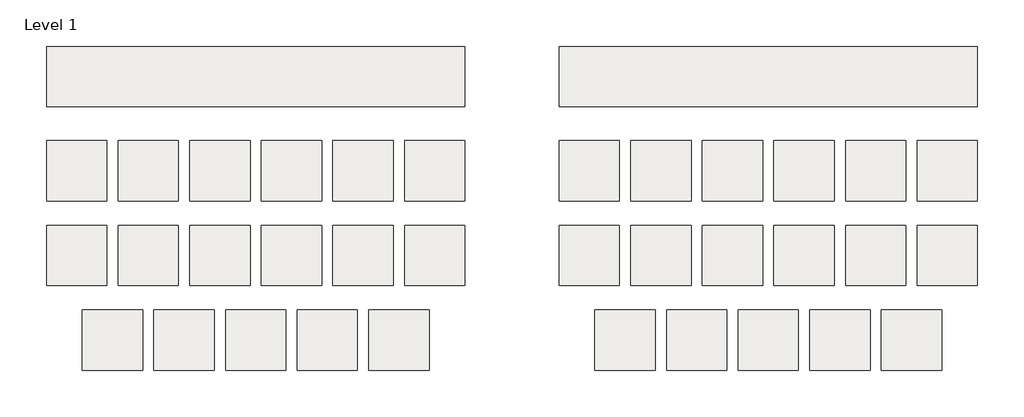
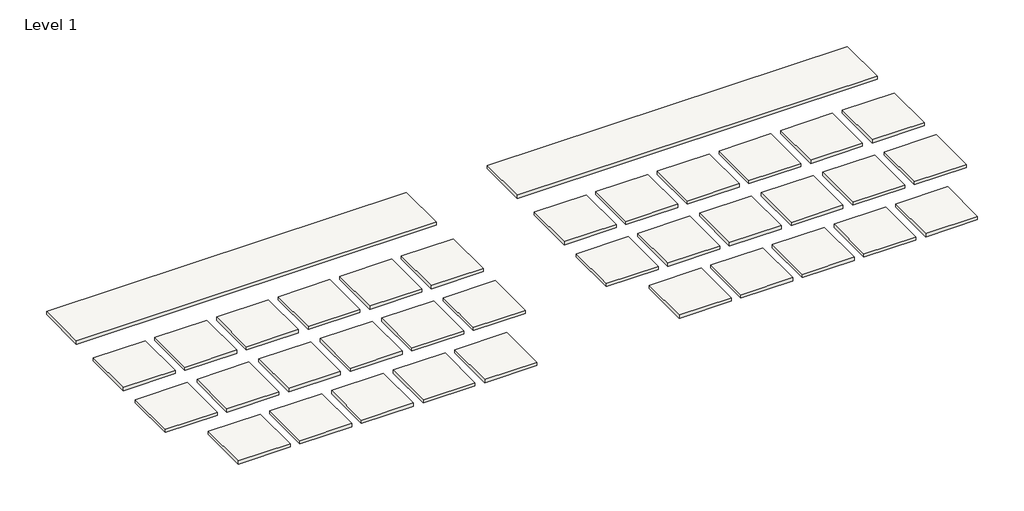
# One storey: 36 slabs.
"""IFC4 building model written with IfcOpenShell, lengths in millimetres."""

from ifc_helpers import new_model, si_unit, frame, origin, place, context, project, spatial, polyline, outline, extrude, element, save

model = new_model("IFC4")

# Units and contexts
model_context = context("Model", 3, world=origin())
ifc_project = project(units=[si_unit("LENGTHUNIT", "METRE", prefix="MILLI")], contexts=[model_context])

# Site, building, storey
site = spatial("IfcSite", under=ifc_project)
building = spatial("IfcBuilding", under=site)
storey = spatial("IfcBuildingStorey", under=building, Name="Level 1", Elevation=0.0)

# Slabs
placement = place(None, origin())
element("IfcSlab", 1, at=placement, inside=storey, context=model_context, shape_type="SweptSolid", body=[
    extrude(outline(polyline([(-4933.2587959, 187.406276), (-4933.2587959, 1406.606276), (-3714.0587959, 1406.606276), (-3714.0587959, 187.406276), (-4933.2587959, 187.406276)])), frame((0.0, 0.0, -79.375), z_axis=(0.0, 0.0, 1.0), x_axis=(1.0, 0.0, 0.0)), (0.0, 0.0, 1.0), 79.375),
])
element("IfcSlab", 2, at=placement, inside=storey, context=model_context, shape_type="SweptSolid", body=[
    extrude(outline(polyline([(-2266.2587959, 187.406276), (-3485.4587959, 187.406276), (-3485.4587959, 1406.606276), (-2266.2587959, 1406.606276), (-2266.2587959, 187.406276)])), frame((0.0, 0.0, -79.375), z_axis=(0.0, 0.0, 1.0), x_axis=(1.0, 0.0, 0.0)), (0.0, 0.0, 1.0), 79.375),
])
element("IfcSlab", 3, at=placement, inside=storey, context=model_context, shape_type="SweptSolid", body=[
    extrude(outline(polyline([(-818.4587959, 1406.606276), (-818.4587959, 187.406276), (-2037.6587959, 187.406276), (-2037.6587959, 1406.606276), (-818.4587959, 1406.606276)])), frame((0.0, 0.0, -79.375), z_axis=(0.0, 0.0, 1.0), x_axis=(1.0, 0.0, 0.0)), (0.0, 0.0, 1.0), 79.375),
])
element("IfcSlab", 4, at=placement, inside=storey, context=model_context, shape_type="SweptSolid", body=[
    extrude(outline(polyline([(629.3412041, 1406.606276), (629.3412041, 187.406276), (-589.8587959, 187.406276), (-589.8587959, 1406.606276), (629.3412041, 1406.606276)])), frame((0.0, 0.0, -79.375), z_axis=(0.0, 0.0, 1.0), x_axis=(1.0, 0.0, 0.0)), (0.0, 0.0, 1.0), 79.375),
])
element("IfcSlab", 5, at=placement, inside=storey, context=model_context, shape_type="SweptSolid", body=[
    extrude(outline(polyline([(2077.1412041, 1406.606276), (2077.1412041, 187.406276), (857.9412041, 187.406276), (857.9412041, 1406.606276), (2077.1412041, 1406.606276)])), frame((0.0, 0.0, -79.375), z_axis=(0.0, 0.0, 1.0), x_axis=(1.0, 0.0, 0.0)), (0.0, 0.0, 1.0), 79.375),
])
element("IfcSlab", 6, at=placement, inside=storey, context=model_context, shape_type="SweptSolid", body=[
    extrude(outline(polyline([(3524.9412041, 1406.5845781), (3524.9412041, 187.3845781), (2305.7412041, 187.3845781), (2305.7412041, 1406.5845781), (3524.9412041, 1406.5845781)])), frame((0.0, 0.0, -79.375), z_axis=(0.0, 0.0, 1.0), x_axis=(1.0, 0.0, 0.0)), (0.0, 0.0, 1.0), 79.375),
])
element("IfcSlab", 7, at=placement, inside=storey, context=model_context, shape_type="SweptSolid", body=[
    extrude(outline(polyline([(-3714.0587959, -307.893724), (-3714.0587959, -1527.093724), (-4933.2587959, -1527.093724), (-4933.2587959, -307.893724), (-3714.0587959, -307.893724)])), frame((0.0, 0.0, -79.375), z_axis=(0.0, 0.0, 1.0), x_axis=(1.0, 0.0, 0.0)), (0.0, 0.0, 1.0), 79.375),
])
element("IfcSlab", 8, at=placement, inside=storey, context=model_context, shape_type="SweptSolid", body=[
    extrude(outline(polyline([(-2266.2587959, -307.893724), (-2266.2587959, -1527.093724), (-3485.4587959, -1527.093724), (-3485.4587959, -307.893724), (-2266.2587959, -307.893724)])), frame((0.0, 0.0, -79.375), z_axis=(0.0, 0.0, 1.0), x_axis=(1.0, 0.0, 0.0)), (0.0, 0.0, 1.0), 79.375),
])
element("IfcSlab", 9, at=placement, inside=storey, context=model_context, shape_type="SweptSolid", body=[
    extrude(outline(polyline([(-818.4587959, -307.893724), (-818.4587959, -1527.093724), (-2037.6587959, -1527.093724), (-2037.6587959, -307.893724), (-818.4587959, -307.893724)])), frame((0.0, 0.0, -79.375), z_axis=(0.0, 0.0, 1.0), x_axis=(1.0, 0.0, 0.0)), (0.0, 0.0, 1.0), 79.375),
])
element("IfcSlab", 10, at=placement, inside=storey, context=model_context, shape_type="SweptSolid", body=[
    extrude(outline(polyline([(629.3412041, -307.893724), (629.3412041, -1527.093724), (-589.8587959, -1527.093724), (-589.8587959, -307.893724), (629.3412041, -307.893724)])), frame((0.0, 0.0, -79.375), z_axis=(0.0, 0.0, 1.0), x_axis=(1.0, 0.0, 0.0)), (0.0, 0.0, 1.0), 79.375),
])
element("IfcSlab", 11, at=placement, inside=storey, context=model_context, shape_type="SweptSolid", body=[
    extrude(outline(polyline([(2077.1412041, -307.893724), (2077.1412041, -1527.093724), (857.9412041, -1527.093724), (857.9412041, -307.893724), (2077.1412041, -307.893724)])), frame((0.0, 0.0, -79.375), z_axis=(0.0, 0.0, 1.0), x_axis=(1.0, 0.0, 0.0)), (0.0, 0.0, 1.0), 79.375),
])
element("IfcSlab", 12, at=placement, inside=storey, context=model_context, shape_type="SweptSolid", body=[
    extrude(outline(polyline([(3524.9412041, -307.893724), (3524.9412041, -1527.093724), (2305.7412041, -1527.093724), (2305.7412041, -307.893724), (3524.9412041, -307.893724)])), frame((0.0, 0.0, -79.375), z_axis=(0.0, 0.0, 1.0), x_axis=(1.0, 0.0, 0.0)), (0.0, 0.0, 1.0), 79.375),
])
element("IfcSlab", 13, at=placement, inside=storey, context=model_context, shape_type="SweptSolid", body=[
    extrude(outline(polyline([(-2990.1587959, -2022.393724), (-2990.1587959, -3241.593724), (-4209.3587959, -3241.593724), (-4209.3587959, -2022.393724), (-2990.1587959, -2022.393724)])), frame((0.0, 0.0, -79.375), z_axis=(0.0, 0.0, 1.0), x_axis=(1.0, 0.0, 0.0)), (0.0, 0.0, 1.0), 79.375),
])
element("IfcSlab", 14, at=placement, inside=storey, context=model_context, shape_type="SweptSolid", body=[
    extrude(outline(polyline([(-1542.3587959, -2022.393724), (-1542.3587959, -3241.593724), (-2761.5587959, -3241.593724), (-2761.5587959, -2022.393724), (-1542.3587959, -2022.393724)])), frame((0.0, 0.0, -79.375), z_axis=(0.0, 0.0, 1.0), x_axis=(1.0, 0.0, 0.0)), (0.0, 0.0, 1.0), 79.375),
])
element("IfcSlab", 15, at=placement, inside=storey, context=model_context, shape_type="SweptSolid", body=[
    extrude(outline(polyline([(-94.5587959, -2022.393724), (-94.5587959, -3241.593724), (-1313.7587959, -3241.593724), (-1313.7587959, -2022.393724), (-94.5587959, -2022.393724)])), frame((0.0, 0.0, -79.375), z_axis=(0.0, 0.0, 1.0), x_axis=(1.0, 0.0, 0.0)), (0.0, 0.0, 1.0), 79.375),
])
element("IfcSlab", 16, at=placement, inside=storey, context=model_context, shape_type="SweptSolid", body=[
    extrude(outline(polyline([(1353.2412041, -2022.393724), (1353.2412041, -3241.593724), (134.0412041, -3241.593724), (134.0412041, -2022.393724), (1353.2412041, -2022.393724)])), frame((0.0, 0.0, -79.375), z_axis=(0.0, 0.0, 1.0), x_axis=(1.0, 0.0, 0.0)), (0.0, 0.0, 1.0), 79.375),
])
element("IfcSlab", 17, at=placement, inside=storey, context=model_context, shape_type="SweptSolid", body=[
    extrude(outline(polyline([(2801.0412041, -2022.393724), (2801.0412041, -3241.593724), (1581.8412041, -3241.593724), (1581.8412041, -2022.393724), (2801.0412041, -2022.393724)])), frame((0.0, 0.0, -79.375), z_axis=(0.0, 0.0, 1.0), x_axis=(1.0, 0.0, 0.0)), (0.0, 0.0, 1.0), 79.375),
])
element("IfcSlab", 18, at=placement, inside=storey, context=model_context, shape_type="SweptSolid", body=[
    extrude(outline(polyline([(-4933.2587959, 2092.406276), (-4933.2587959, 3311.606276), (3524.9412041, 3311.606276), (3524.9412041, 2092.406276), (-4933.2587959, 2092.406276)])), frame((0.0, 0.0, -79.375), z_axis=(0.0, 0.0, 1.0), x_axis=(1.0, 0.0, 0.0)), (0.0, 0.0, 1.0), 79.375),
])
element("IfcSlab", 19, at=placement, inside=storey, context=model_context, shape_type="SweptSolid", body=[
    extrude(outline(polyline([(5429.9412041, 187.406276), (5429.9412041, 1406.606276), (6649.1412041, 1406.606276), (6649.1412041, 187.406276), (5429.9412041, 187.406276)])), frame((0.0, 0.0, -79.375), z_axis=(0.0, 0.0, 1.0), x_axis=(1.0, 0.0, 0.0)), (0.0, 0.0, 1.0), 79.375),
])
element("IfcSlab", 20, at=placement, inside=storey, context=model_context, shape_type="SweptSolid", body=[
    extrude(outline(polyline([(8096.9412041, 187.406276), (6877.7412041, 187.406276), (6877.7412041, 1406.606276), (8096.9412041, 1406.606276), (8096.9412041, 187.406276)])), frame((0.0, 0.0, -79.375), z_axis=(0.0, 0.0, 1.0), x_axis=(1.0, 0.0, 0.0)), (0.0, 0.0, 1.0), 79.375),
])
element("IfcSlab", 21, at=placement, inside=storey, context=model_context, shape_type="SweptSolid", body=[
    extrude(outline(polyline([(9544.7412041, 1406.606276), (9544.7412041, 187.406276), (8325.5412041, 187.406276), (8325.5412041, 1406.606276), (9544.7412041, 1406.606276)])), frame((0.0, 0.0, -79.375), z_axis=(0.0, 0.0, 1.0), x_axis=(1.0, 0.0, 0.0)), (0.0, 0.0, 1.0), 79.375),
])
element("IfcSlab", 22, at=placement, inside=storey, context=model_context, shape_type="SweptSolid", body=[
    extrude(outline(polyline([(10992.5412041, 1406.606276), (10992.5412041, 187.406276), (9773.3412041, 187.406276), (9773.3412041, 1406.606276), (10992.5412041, 1406.606276)])), frame((0.0, 0.0, -79.375), z_axis=(0.0, 0.0, 1.0), x_axis=(1.0, 0.0, 0.0)), (0.0, 0.0, 1.0), 79.375),
])
element("IfcSlab", 23, at=placement, inside=storey, context=model_context, shape_type="SweptSolid", body=[
    extrude(outline(polyline([(12440.3412041, 1406.606276), (12440.3412041, 187.406276), (11221.1412041, 187.406276), (11221.1412041, 1406.606276), (12440.3412041, 1406.606276)])), frame((0.0, 0.0, -79.375), z_axis=(0.0, 0.0, 1.0), x_axis=(1.0, 0.0, 0.0)), (0.0, 0.0, 1.0), 79.375),
])
element("IfcSlab", 24, at=placement, inside=storey, context=model_context, shape_type="SweptSolid", body=[
    extrude(outline(polyline([(13888.1412041, 1406.5845781), (13888.1412041, 187.3845781), (12668.9412041, 187.3845781), (12668.9412041, 1406.5845781), (13888.1412041, 1406.5845781)])), frame((0.0, 0.0, -79.375), z_axis=(0.0, 0.0, 1.0), x_axis=(1.0, 0.0, 0.0)), (0.0, 0.0, 1.0), 79.375),
])
element("IfcSlab", 25, at=placement, inside=storey, context=model_context, shape_type="SweptSolid", body=[
    extrude(outline(polyline([(6649.1412041, -307.893724), (6649.1412041, -1527.093724), (5429.9412041, -1527.093724), (5429.9412041, -307.893724), (6649.1412041, -307.893724)])), frame((0.0, 0.0, -79.375), z_axis=(0.0, 0.0, 1.0), x_axis=(1.0, 0.0, 0.0)), (0.0, 0.0, 1.0), 79.375),
])
element("IfcSlab", 26, at=placement, inside=storey, context=model_context, shape_type="SweptSolid", body=[
    extrude(outline(polyline([(8096.9412041, -307.893724), (8096.9412041, -1527.093724), (6877.7412041, -1527.093724), (6877.7412041, -307.893724), (8096.9412041, -307.893724)])), frame((0.0, 0.0, -79.375), z_axis=(0.0, 0.0, 1.0), x_axis=(1.0, 0.0, 0.0)), (0.0, 0.0, 1.0), 79.375),
])
element("IfcSlab", 27, at=placement, inside=storey, context=model_context, shape_type="SweptSolid", body=[
    extrude(outline(polyline([(9544.7412041, -307.893724), (9544.7412041, -1527.093724), (8325.5412041, -1527.093724), (8325.5412041, -307.893724), (9544.7412041, -307.893724)])), frame((0.0, 0.0, -79.375), z_axis=(0.0, 0.0, 1.0), x_axis=(1.0, 0.0, 0.0)), (0.0, 0.0, 1.0), 79.375),
])
element("IfcSlab", 28, at=placement, inside=storey, context=model_context, shape_type="SweptSolid", body=[
    extrude(outline(polyline([(10992.5412041, -307.893724), (10992.5412041, -1527.093724), (9773.3412041, -1527.093724), (9773.3412041, -307.893724), (10992.5412041, -307.893724)])), frame((0.0, 0.0, -79.375), z_axis=(0.0, 0.0, 1.0), x_axis=(1.0, 0.0, 0.0)), (0.0, 0.0, 1.0), 79.375),
])
element("IfcSlab", 29, at=placement, inside=storey, context=model_context, shape_type="SweptSolid", body=[
    extrude(outline(polyline([(12440.3412041, -307.893724), (12440.3412041, -1527.093724), (11221.1412041, -1527.093724), (11221.1412041, -307.893724), (12440.3412041, -307.893724)])), frame((0.0, 0.0, -79.375), z_axis=(0.0, 0.0, 1.0), x_axis=(1.0, 0.0, 0.0)), (0.0, 0.0, 1.0), 79.375),
])
element("IfcSlab", 30, at=placement, inside=storey, context=model_context, shape_type="SweptSolid", body=[
    extrude(outline(polyline([(13888.1412041, -307.893724), (13888.1412041, -1527.093724), (12668.9412041, -1527.093724), (12668.9412041, -307.893724), (13888.1412041, -307.893724)])), frame((0.0, 0.0, -79.375), z_axis=(0.0, 0.0, 1.0), x_axis=(1.0, 0.0, 0.0)), (0.0, 0.0, 1.0), 79.375),
])
element("IfcSlab", 31, at=placement, inside=storey, context=model_context, shape_type="SweptSolid", body=[
    extrude(outline(polyline([(7373.0412041, -2022.393724), (7373.0412041, -3241.593724), (6153.8412041, -3241.593724), (6153.8412041, -2022.393724), (7373.0412041, -2022.393724)])), frame((0.0, 0.0, -79.375), z_axis=(0.0, 0.0, 1.0), x_axis=(1.0, 0.0, 0.0)), (0.0, 0.0, 1.0), 79.375),
])
element("IfcSlab", 32, at=placement, inside=storey, context=model_context, shape_type="SweptSolid", body=[
    extrude(outline(polyline([(8820.8412041, -2022.393724), (8820.8412041, -3241.593724), (7601.6412041, -3241.593724), (7601.6412041, -2022.393724), (8820.8412041, -2022.393724)])), frame((0.0, 0.0, -79.375), z_axis=(0.0, 0.0, 1.0), x_axis=(1.0, 0.0, 0.0)), (0.0, 0.0, 1.0), 79.375),
])
element("IfcSlab", 33, at=placement, inside=storey, context=model_context, shape_type="SweptSolid", body=[
    extrude(outline(polyline([(10268.6412041, -2022.393724), (10268.6412041, -3241.593724), (9049.4412041, -3241.593724), (9049.4412041, -2022.393724), (10268.6412041, -2022.393724)])), frame((0.0, 0.0, -79.375), z_axis=(0.0, 0.0, 1.0), x_axis=(1.0, 0.0, 0.0)), (0.0, 0.0, 1.0), 79.375),
])
element("IfcSlab", 34, at=placement, inside=storey, context=model_context, shape_type="SweptSolid", body=[
    extrude(outline(polyline([(11716.4412041, -2022.393724), (11716.4412041, -3241.593724), (10497.2412041, -3241.593724), (10497.2412041, -2022.393724), (11716.4412041, -2022.393724)])), frame((0.0, 0.0, -79.375), z_axis=(0.0, 0.0, 1.0), x_axis=(1.0, 0.0, 0.0)), (0.0, 0.0, 1.0), 79.375),
])
element("IfcSlab", 35, at=placement, inside=storey, context=model_context, shape_type="SweptSolid", body=[
    extrude(outline(polyline([(13164.2412041, -2022.393724), (13164.2412041, -3241.593724), (11945.0412041, -3241.593724), (11945.0412041, -2022.393724), (13164.2412041, -2022.393724)])), frame((0.0, 0.0, -79.375), z_axis=(0.0, 0.0, 1.0), x_axis=(1.0, 0.0, 0.0)), (0.0, 0.0, 1.0), 79.375),
])
element("IfcSlab", 36, at=placement, inside=storey, context=model_context, shape_type="SweptSolid", body=[
    extrude(outline(polyline([(5429.9412041, 2092.406276), (5429.9412041, 3311.606276), (13888.1412041, 3311.606276), (13888.1412041, 2092.406276), (5429.9412041, 2092.406276)])), frame((0.0, 0.0, -79.375), z_axis=(0.0, 0.0, 1.0), x_axis=(1.0, 0.0, 0.0)), (0.0, 0.0, 1.0), 79.375),
])

save(model, "model.ifc")
